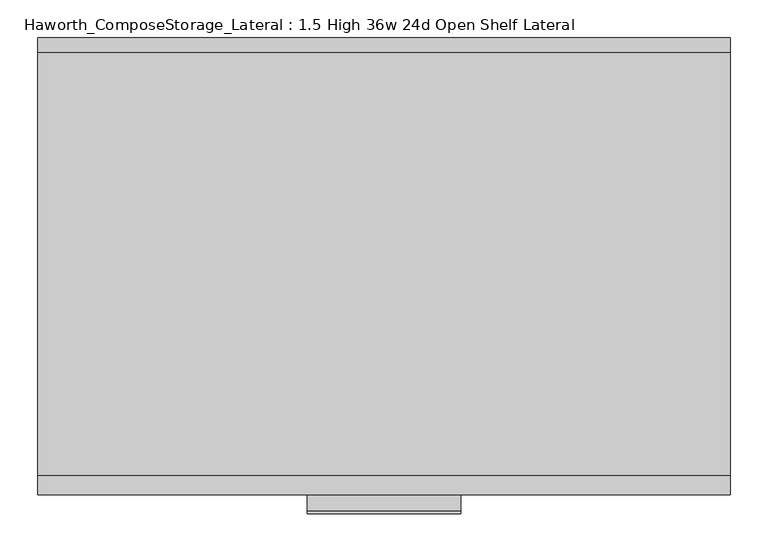
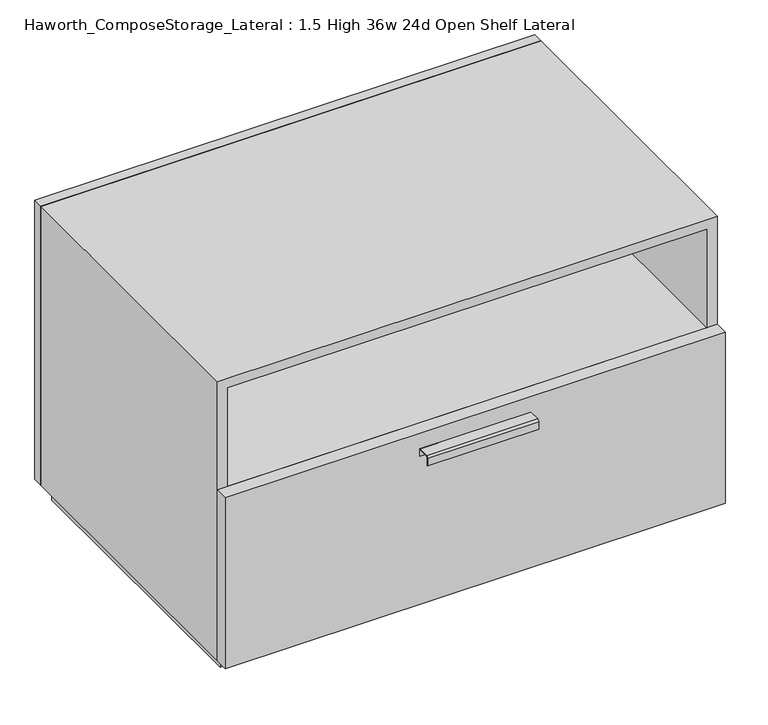
"""IFC4 building model written with IfcOpenShell, lengths in millimetres: furniture geometry, Haworth_ComposeStorage_Lateral : 1.5 High 36w 24d Open Shelf Lateral."""

from ifc_helpers import new_model, si_unit, point, frame, frame_2d, origin, origin_with_axes, place, context, project, spatial, polyline, circle_curve, trimmed, segment, composite_curve, outline, extrude, source, transform, mapped, element, save


def haworth_composestorage_lateral_1_5_high_36w_24d_open_shelf_82f04e47(model_context):
    return source(origin(), model_context, "Body", "SweptSolid", [
        extrude(outline(composite_curve([segment(polyline([(-276.2250242, 326.0169215), (-254.0, 326.0169215), (-254.0, 312.5549525), (-254.7937742, 312.5549525), (-254.7937742, 325.2232199), (-276.2250242, 325.2232199)]), True, "CONTINUOUS"), segment(trimmed(circle_curve(frame_2d((-276.2250242, 322.8392808)), 2.3839392), [point((-276.2250242, 325.2232199))], [point((-278.6089634, 322.8392808))], True, "CARTESIAN"), True, "CONTINUOUS"), segment(polyline([(-278.6089634, 322.8392808), (-278.6089634, 308.2369021), (-279.3999758, 308.2369021), (-279.3999758, 322.8419699)]), True, "CONTINUOUS"), segment(trimmed(circle_curve(frame_2d((-276.2250242, 322.8419699)), 3.1749516), [point((-279.3999758, 322.8419699))], [point((-276.2250242, 326.0169215))], False, "CARTESIAN"), True, "CONTINUOUS")], self_intersect=False)), frame((-101.5861094, 0.0, 0.0), z_axis=(1.0, 0.0, 0.0), x_axis=(0.0, 1.0, 0.0)), (0.0, 0.0, 1.0), 203.2),
        extrude(outline(polyline([(457.2138906, -228.6), (457.2138906, -254.0), (-457.1861094, -254.0), (-457.1861094, -228.6), (457.2138906, -228.6)])), frame((0.0, 0.0, 25.4), z_axis=(0.0, 0.0, 1.0), x_axis=(1.0, 0.0, 0.0)), (0.0, 0.0, 1.0), 330.2),
        extrude(outline(polyline([(438.1569453, 295.275), (438.1569453, -228.6), (-438.1291641, -228.6), (-438.1291641, 295.275), (438.1569453, 295.275)])), frame((0.0, 0.0, 336.55), z_axis=(0.0, 0.0, 1.0), x_axis=(1.0, 0.0, 0.0)), (0.0, 0.0, 1.0), 19.05),
        extrude(outline(polyline([(457.2138906, 330.2), (-457.1861094, 330.2), (-457.1861094, 349.25), (457.2138906, 349.25), (457.2138906, 330.2)])), frame((0.0, 0.0, 25.4), z_axis=(0.0, 0.0, 1.0), x_axis=(1.0, 0.0, 0.0)), (0.0, 0.0, 1.0), 539.75),
        extrude(outline(polyline([(25.4, -457.1861094), (25.4, 457.2), (565.15, 457.2), (565.15, -457.1861094), (25.4, -457.1861094)]), holes=[polyline([(44.45, -438.1361094), (546.1, -438.1361094), (546.1, 438.1361094), (44.45, 438.1361094), (44.45, -438.1361094)])]), frame((0.0, -228.6, 0.0), z_axis=(0.0, 1.0, 0.0), x_axis=(0.0, 0.0, 1.0)), (0.0, 0.0, 1.0), 558.8),
        extrude(outline(polyline([(-438.1291641, 295.275), (-438.1291641, 304.8), (438.1569453, 304.8), (438.1569453, 295.275), (-438.1291641, 295.275)])), frame((0.0, 0.0, 44.45), z_axis=(0.0, 0.0, 1.0), x_axis=(1.0, 0.0, 0.0)), (0.0, 0.0, 1.0), 501.65),
        extrude(outline(polyline([(444.5138906, -215.9), (-444.4861094, -215.9), (-444.4861094, 317.5), (444.5138906, 317.5), (444.5138906, -215.9)])), origin_with_axes(), (0.0, 0.0, 1.0), 25.4),
    ])


if __name__ == "__main__":
    model = new_model("IFC4")
    model_context = context("Model", 3, world=origin())
    ifc_project = project(units=[si_unit("LENGTHUNIT", "METRE", prefix="MILLI")], contexts=[model_context])
    site = spatial("IfcSite", under=ifc_project)
    building = spatial("IfcBuilding", under=site)
    placement = place(None, origin())
    haworth_composestorage_lateral_1_5_high_36w_24d_open_shelf_shape = haworth_composestorage_lateral_1_5_high_36w_24d_open_shelf_82f04e47(model_context)
    element("IfcFurniture", 1, ObjectType="Haworth_ComposeStorage_Lateral : 1.5 High 36w 24d Open Shelf Lateral", at=placement, inside=building, context=model_context, shape_type="MappedRepresentation", body=[
        mapped(haworth_composestorage_lateral_1_5_high_36w_24d_open_shelf_shape, transform((0.0, 0.0, 0.0), x_axis=(1.0, 0.0, 0.0), y_axis=(0.0, 1.0, 0.0), z_axis=(0.0, 0.0, 1.0))),
    ])
    save(model, "model.ifc")
